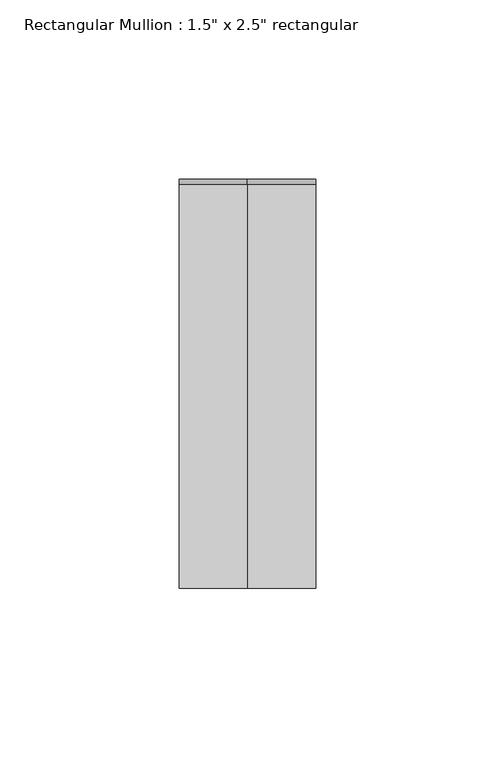
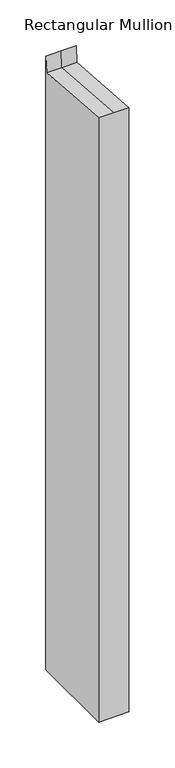
"""IFC4 building model written with IfcOpenShell, lengths in millimetres: member geometry."""

from ifc_helpers import new_model, si_unit, origin, place, context, project, spatial, faceted_brep, source, transform, mapped, element, save


def member_34f9d4ea(model_context):
    return source(origin(), model_context, "Body", "Brep", [
        faceted_brep([(19.05, 57.15, -798.1211995), (19.05, -57.15, -798.1211995), (-19.05, -57.15, -798.1211995), (-19.05, 57.15, -798.1211995), (-19.05, 57.15, 17.0088826), (0.0, 57.15, 17.0088826), (19.05, 57.15, 17.0088826), (-19.05, -57.15, 4.0387875), (-19.05, 55.6453769, -4.0284971), (19.05, -57.15, 4.0387875), (0.0, -57.15, 4.0387875), (19.05, 55.6453769, -4.0284971), (0.0, 55.6453769, -4.0284971)], [[[0, 1, 2, 3]], [[4, 5, 6, 0, 3]], [[7, 8, 4, 3, 2]], [[9, 10, 7, 2, 1]], [[6, 11, 9, 1, 0]], [[6, 5, 12, 11]], [[5, 4, 8, 12]], [[8, 7, 10, 12]], [[10, 9, 11, 12]]]),
    ])


if __name__ == "__main__":
    model = new_model("IFC4")
    model_context = context("Model", 3, world=origin())
    ifc_project = project(units=[si_unit("LENGTHUNIT", "METRE", prefix="MILLI")], contexts=[model_context])
    site = spatial("IfcSite", under=ifc_project)
    building = spatial("IfcBuilding", under=site)
    placement = place(None, origin())
    member_shape = member_34f9d4ea(model_context)
    element("IfcMember", 1, ObjectType="Rectangular Mullion : 1.5\" x 2.5\" rectangular", at=placement, inside=building, context=model_context, shape_type="MappedRepresentation", body=[
        mapped(member_shape, transform((0.0, 0.0, 0.0), x_axis=(1.0, 0.0, 0.0), y_axis=(0.0, 1.0, 0.0), z_axis=(0.0, 0.0, 1.0))),
    ])
    save(model, "model.ifc")
